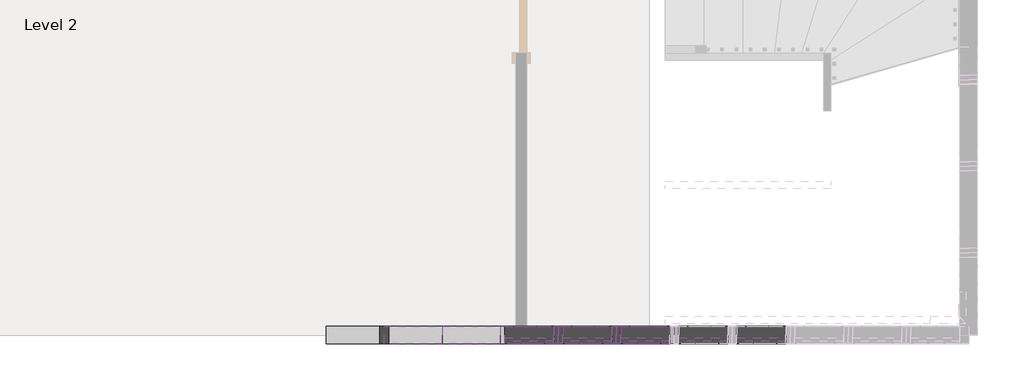
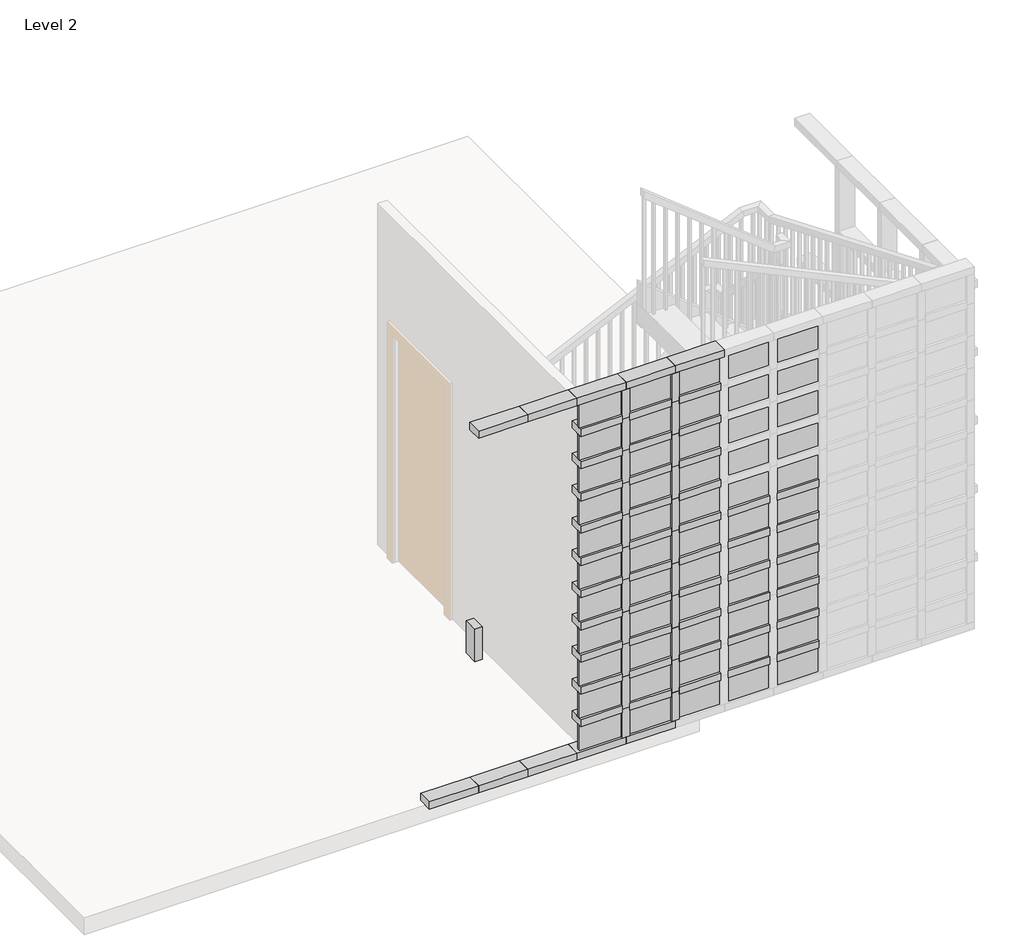
# One storey, part 4 of 7: 75 members, 55 plates.
"""IFC4 building model written with IfcOpenShell, lengths in millimetres."""

import ifcopenshell
import ifcopenshell.guid

model = None  # the IFC model being written
_history = None  # IfcOwnerHistory: only IFC2X3 demands one
_inside = {}  # id of a spatial element -> (the spatial element, [elements in it])
_under = {}  # id of a project, library or spatial element -> (it, [spatial elements below it])
_declared = {}  # id of a project -> (the project, [libraries it declares])
_typed = {}  # id of a type object -> (the type object, [elements of that type])
_made_of = {}  # id of a material, layer set ... -> (it, [elements and type objects made of it])


def new_model(schema):
    """Start an empty IFC model of exactly this schema.

    Asked for "IFC4X3", IfcOpenShell would pick the latest addendum, in which some entities
    have other attributes; the version numbers below select the first issue.
    IFC2X3 requires an IfcOwnerHistory on every rooted entity: one is made here for all.
    """
    global model, _history
    if schema == "IFC4X3":
        model = ifcopenshell.file(schema_version=(4, 3, 0, 0))
    else:
        model = ifcopenshell.file(schema=schema)
    _inside.clear()
    _under.clear()
    _declared.clear()
    _typed.clear()
    _made_of.clear()
    _history = None
    if model.schema == "IFC2X3":
        org = make("IfcOrganization", Name="unknown")
        user = make(
            "IfcPersonAndOrganization",
            ThePerson=make("IfcPerson", FamilyName="unknown"),
            TheOrganization=org,
        )
        app = make(
            "IfcApplication",
            ApplicationDeveloper=org,
            Version="unknown",
            ApplicationFullName="unknown",
            ApplicationIdentifier="unknown",
        )
        _history = make(
            "IfcOwnerHistory",
            OwningUser=user,
            OwningApplication=app,
            ChangeAction="ADDED",
            CreationDate=0,
        )
    return model


def make(cls, **values):
    """One entity of the class cls with the attributes given. An attribute that is None is left unset."""
    return model.create_entity(
        cls, **{name: value for name, value in values.items() if value is not None}
    )


def rooted(cls, **values):
    """An entity with a GlobalId (a new one), such as an element, a storey or a relation."""
    return make(cls, GlobalId=ifcopenshell.guid.new(), OwnerHistory=_history, **values)


def si_unit(unit_type, name, prefix=None):
    """IfcSIUnit, for example si_unit("LENGTHUNIT", "METRE", prefix="MILLI")."""
    return make("IfcSIUnit", UnitType=unit_type, Prefix=prefix, Name=name)


def assignment(units):
    """IfcUnitAssignment: the units of a project."""
    return None if units is None else make("IfcUnitAssignment", Units=units)


def point(xyz):
    """IfcCartesianPoint."""
    return None if xyz is None else make("IfcCartesianPoint", Coordinates=xyz)


def direction(xyz):
    """IfcDirection."""
    return None if xyz is None else make("IfcDirection", DirectionRatios=xyz)


def frame(location, z_axis=None, x_axis=None):
    """IfcAxis2Placement3D, a coordinate frame: its origin and axes. An axis left out is left unset."""
    return make(
        "IfcAxis2Placement3D",
        Location=point(location),
        Axis=direction(z_axis),
        RefDirection=direction(x_axis),
    )


def origin():
    """The frame at (0, 0, 0) with its axes left unset."""
    return frame((0.0, 0.0, 0.0))


def origin_with_axes():
    """The frame at (0, 0, 0) with the z axis (0, 0, 1) and the x axis (1, 0, 0) written out."""
    return frame((0.0, 0.0, 0.0), z_axis=(0.0, 0.0, 1.0), x_axis=(1.0, 0.0, 0.0))


def place(relative_to, where):
    """IfcLocalPlacement: puts the frame where relative to a parent placement (None: the world)."""
    return make(
        "IfcLocalPlacement", PlacementRelTo=relative_to, RelativePlacement=where
    )


def context(
    kind, dimensions, precision=None, world=None, true_north=None, identifier=None
):
    """IfcGeometricRepresentationContext, for example the 3D "Model" context."""
    return make(
        "IfcGeometricRepresentationContext",
        ContextIdentifier=identifier,
        ContextType=kind,
        CoordinateSpaceDimension=dimensions,
        Precision=precision,
        WorldCoordinateSystem=world,
        TrueNorth=true_north,
    )


def project(units=None, contexts=None):
    """IfcProject with its units and contexts."""
    return rooted(
        "IfcProject",
        Name="project",
        RepresentationContexts=contexts,
        UnitsInContext=assignment(units),
    )


def spatial(cls, under=None, at=None, **own):
    """A site, building, storey or space (cls), placed at a placement, below another one or the project."""
    s = rooted(cls, ObjectPlacement=at, **own)
    if under is not None:
        _under.setdefault(under.id(), (under, []))[1].append(s)
    return s


def polyline(points):
    """IfcPolyline through the points."""
    return make("IfcPolyline", Points=[point(p) for p in points])


def outline(outer, holes=None, kind="AREA"):
    """IfcArbitraryClosedProfileDef: a profile drawn as a closed curve; with holes, ...WithVoids."""
    if holes is None:
        return make("IfcArbitraryClosedProfileDef", ProfileType=kind, OuterCurve=outer)
    return make(
        "IfcArbitraryProfileDefWithVoids",
        ProfileType=kind,
        OuterCurve=outer,
        InnerCurves=holes,
    )


def extrude(swept, where, along, depth):
    """IfcExtrudedAreaSolid: the profile swept, set in the frame where, extruded along a direction by depth."""
    return make(
        "IfcExtrudedAreaSolid",
        SweptArea=swept,
        Position=where,
        ExtrudedDirection=direction(along),
        Depth=depth,
    )


def shape(context_of_items, identifier, shape_type, items):
    """IfcShapeRepresentation: the items that make up one representation, for example the "Body"."""
    return make(
        "IfcShapeRepresentation",
        ContextOfItems=context_of_items,
        RepresentationIdentifier=identifier,
        RepresentationType=shape_type,
        Items=items,
    )


def source(mapping_origin, context_of_items, identifier, shape_type, items):
    """IfcRepresentationMap: a shape defined once, which mapped items show again and again."""
    return make(
        "IfcRepresentationMap",
        MappingOrigin=mapping_origin,
        MappedRepresentation=shape(context_of_items, identifier, shape_type, items),
    )


def transform(
    local_origin,
    x_axis=None,
    y_axis=None,
    z_axis=None,
    scale=None,
    scale2=None,
    scale3=None,
    uniform=True,
):
    """IfcCartesianTransformationOperator3D, or its non-uniform kind. x_axis, y_axis, z_axis: its Axis1, 2, 3."""
    if uniform:
        return make(
            "IfcCartesianTransformationOperator3D",
            Axis1=direction(x_axis),
            Axis2=direction(y_axis),
            LocalOrigin=point(local_origin),
            Scale=scale,
            Axis3=direction(z_axis),
        )
    return make(
        "IfcCartesianTransformationOperator3DnonUniform",
        Axis1=direction(x_axis),
        Axis2=direction(y_axis),
        LocalOrigin=point(local_origin),
        Scale=scale,
        Axis3=direction(z_axis),
        Scale2=scale2,
        Scale3=scale3,
    )


def mapped(mapping_source, mapping_target):
    """IfcMappedItem: shows the shape of a source again, moved by a transform."""
    return make(
        "IfcMappedItem", MappingSource=mapping_source, MappingTarget=mapping_target
    )


def made_of(thing, what):
    """Note that an element or type object is made of a material, layer set ...; save() writes the relation."""
    if what is not None:
        _made_of.setdefault(what.id(), (what, []))[1].append(thing)
    return thing


def element(
    cls,
    number,
    at=None,
    inside=None,
    cuts=None,
    type_object=None,
    material=None,
    context=None,
    identifier="Body",
    shape_type=None,
    held_by="IfcProductDefinitionShape",
    body=None,
    shapes=None,
    **own,
):
    """One element of the class cls, such as IfcWall. Its Tag is "e" and its number.

    at: its placement. inside: the storey or other place that contains it. cuts: it is an
    opening in that element (IfcRelVoidsElement). A single representation is given by context,
    identifier, shape_type and body (its items); several are given by shapes. held_by: the class
    of the entity that holds the representations. save() writes the other relations.
    """
    e = rooted(cls, Tag="e%d" % number, ObjectPlacement=at, **own)
    if body is not None:
        shapes = [shape(context, identifier, shape_type, body)]
    if shapes is not None:
        e.Representation = make(held_by, Representations=shapes)
    if inside is not None:
        _inside.setdefault(inside.id(), (inside, []))[1].append(e)
    if cuts is not None:
        rooted(
            "IfcRelVoidsElement", RelatingBuildingElement=cuts, RelatedOpeningElement=e
        )
    if type_object is not None:
        _typed.setdefault(type_object.id(), (type_object, []))[1].append(e)
    return made_of(e, material)


def aggregate(whole, parts):
    """IfcRelAggregates: a whole, such as a stair, and the parts it consists of."""
    return rooted("IfcRelAggregates", RelatingObject=whole, RelatedObjects=parts)


def save(model, path):
    """Write the relations noted so far, then the file.

    IfcRelAggregates (storeys below a building ...), IfcRelContainedInSpatialStructure (elements
    in a storey), IfcRelDefinesByType, IfcRelAssociatesMaterial and IfcRelDeclares: one each for
    every whole, place, type object, material and project.
    """
    for whole, parts in _under.values():
        aggregate(whole, parts)
    for where, things in _inside.values():
        rooted(
            "IfcRelContainedInSpatialStructure",
            RelatedElements=things,
            RelatingStructure=where,
        )
    for kind, things in _typed.values():
        rooted("IfcRelDefinesByType", RelatedObjects=things, RelatingType=kind)
    for what, things in _made_of.values():
        rooted("IfcRelAssociatesMaterial", RelatedObjects=things, RelatingMaterial=what)
    for by, libraries in _declared.values():
        rooted("IfcRelDeclares", RelatingContext=by, RelatedDefinitions=libraries)
    model.write(path)


def member_053a1080(model_context):
    return source(origin(), model_context, "Body", "SweptSolid", [
        extrude(outline(polyline([(31.75, 63.5), (31.75, -63.5), (-31.75, -63.5), (-31.75, 63.5), (31.75, 63.5)])), frame((0.0, 0.0, -351.3666667), z_axis=(0.0, 0.0, 1.0), x_axis=(1.0, 0.0, 0.0)), (0.0, 0.0, 1.0), 351.3666667),
    ])


def member_cc20b924(model_context):
    return source(origin(), model_context, "Body", "SweptSolid", [
        extrude(outline(polyline([(0.0, 63.5), (0.0, -63.5), (-63.5, -63.5), (-63.5, 63.5), (0.0, 63.5)])), frame((0.0, 0.0, -414.8666667), z_axis=(0.0, 0.0, 1.0), x_axis=(1.0, 0.0, 0.0)), (0.0, 0.0, 1.0), 414.8666667),
    ])


def member_fa3b035b(model_context):
    return source(origin(), model_context, "Body", "SweptSolid", [
        extrude(outline(polyline([(31.75, 63.5), (31.75, -63.5), (-31.75, -63.5), (-31.75, 63.5), (31.75, 63.5)])), frame((0.0, 0.0, -287.4301113), z_axis=(0.0, 0.0, 1.0), x_axis=(1.0, 0.0, 0.0)), (0.0, 0.0, 1.0), 287.4301113),
    ])


def member_d2e9ee92(model_context):
    return source(origin(), model_context, "Body", "SweptSolid", [
        extrude(outline(polyline([(31.75, 63.5), (31.75, -63.5), (-31.75, -63.5), (-31.75, 63.5), (31.75, 63.5)])), frame((0.0, 0.0, -255.6801113), z_axis=(0.0, 0.0, 1.0), x_axis=(1.0, 0.0, 0.0)), (0.0, 0.0, 1.0), 255.6801113),
    ])


def system_panel_glazed_a957bdd6(model_context):
    return source(origin(), model_context, "Body", "SweptSolid", [
        extrude(outline(polyline([(175.6833333, 19.05), (-175.6833333, 19.05), (-175.6833333, 44.45), (175.6833333, 44.45), (175.6833333, 19.05)])), origin_with_axes(), (0.0, 0.0, 1.0), 223.9301113),
    ])


model = new_model("IFC4")

# Units and contexts
model_context = context("Model", 3, world=origin())
ifc_project = project(units=[si_unit("LENGTHUNIT", "METRE", prefix="MILLI")], contexts=[model_context])

# Site, building, storey
site = spatial("IfcSite", under=ifc_project)
building = spatial("IfcBuilding", under=site)
storey = spatial("IfcBuildingStorey", under=building, Name="Level 2", Elevation=3048.0)

# Members
placement = place(None, origin())
member_shape = member_053a1080(model_context)
element("IfcMember", 1, ObjectType="Rectangular Mullion : 2.5\" x 5\" rectangular", at=placement, inside=storey, context=model_context, shape_type="MappedRepresentation", body=[
    mapped(member_shape, transform((-1987.2083075, 4076.9545164, 3367.1801113), x_axis=(0.0, 0.0, 1.0), y_axis=(0.0, 1.0, 0.0), z_axis=(-1.0, 0.0, 0.0))),
])
element("IfcMember", 2, ObjectType="Rectangular Mullion : 2.5\" x 5\" rectangular", at=placement, inside=storey, context=model_context, shape_type="MappedRepresentation", body=[
    mapped(member_shape, transform((-1572.3416409, 4076.9545164, 3367.1801113), x_axis=(0.0, 0.0, 1.0), y_axis=(0.0, 1.0, 0.0), z_axis=(-1.0, 0.0, 0.0))),
])
element("IfcMember", 3, ObjectType="Rectangular Mullion : 2.5\" x 5\" rectangular", at=placement, inside=storey, context=model_context, shape_type="MappedRepresentation", body=[
    mapped(member_shape, transform((-1157.4749742, 4076.9545164, 3367.1801113), x_axis=(0.0, 0.0, 1.0), y_axis=(0.0, 1.0, 0.0), z_axis=(-1.0, 0.0, 0.0))),
])
element("IfcMember", 4, ObjectType="Rectangular Mullion : 2.5\" x 5\" rectangular", at=placement, inside=storey, context=model_context, shape_type="MappedRepresentation", body=[
    mapped(member_shape, transform((-742.6083075, 4076.9545164, 3367.1801113), x_axis=(0.0, 0.0, 1.0), y_axis=(0.0, 1.0, 0.0), z_axis=(-1.0, 0.0, 0.0))),
])
element("IfcMember", 5, ObjectType="Rectangular Mullion : 2.5\" x 5\" rectangular", at=placement, inside=storey, context=model_context, shape_type="MappedRepresentation", body=[
    mapped(member_shape, transform((-327.7416409, 4076.9545164, 3367.1801113), x_axis=(0.0, 0.0, 1.0), y_axis=(0.0, 1.0, 0.0), z_axis=(-1.0, 0.0, 0.0))),
])
element("IfcMember", 6, ObjectType="Rectangular Mullion : 2.5\" x 5\" rectangular", at=placement, inside=storey, context=model_context, shape_type="MappedRepresentation", body=[
    mapped(member_shape, transform((-1987.2083075, 4076.9545164, 3654.6102225), x_axis=(0.0, 0.0, 1.0), y_axis=(0.0, 1.0, 0.0), z_axis=(-1.0, 0.0, 0.0))),
])
element("IfcMember", 7, ObjectType="Rectangular Mullion : 2.5\" x 5\" rectangular", at=placement, inside=storey, context=model_context, shape_type="MappedRepresentation", body=[
    mapped(member_shape, transform((-1572.3416409, 4076.9545164, 3654.6102225), x_axis=(0.0, 0.0, 1.0), y_axis=(0.0, 1.0, 0.0), z_axis=(-1.0, 0.0, 0.0))),
])
element("IfcMember", 8, ObjectType="Rectangular Mullion : 2.5\" x 5\" rectangular", at=placement, inside=storey, context=model_context, shape_type="MappedRepresentation", body=[
    mapped(member_shape, transform((-1157.4749742, 4076.9545164, 3654.6102225), x_axis=(0.0, 0.0, 1.0), y_axis=(0.0, 1.0, 0.0), z_axis=(-1.0, 0.0, 0.0))),
])
element("IfcMember", 9, ObjectType="Rectangular Mullion : 2.5\" x 5\" rectangular", at=placement, inside=storey, context=model_context, shape_type="MappedRepresentation", body=[
    mapped(member_shape, transform((-742.6083075, 4076.9545164, 3654.6102225), x_axis=(0.0, 0.0, 1.0), y_axis=(0.0, 1.0, 0.0), z_axis=(-1.0, 0.0, 0.0))),
])
element("IfcMember", 10, ObjectType="Rectangular Mullion : 2.5\" x 5\" rectangular", at=placement, inside=storey, context=model_context, shape_type="MappedRepresentation", body=[
    mapped(member_shape, transform((-327.7416409, 4076.9545164, 3654.6102225), x_axis=(0.0, 0.0, 1.0), y_axis=(0.0, 1.0, 0.0), z_axis=(-1.0, 0.0, 0.0))),
])
element("IfcMember", 11, ObjectType="Rectangular Mullion : 2.5\" x 5\" rectangular", at=placement, inside=storey, context=model_context, shape_type="MappedRepresentation", body=[
    mapped(member_shape, transform((-1987.2083075, 4076.9545164, 3942.0403338), x_axis=(0.0, 0.0, 1.0), y_axis=(0.0, 1.0, 0.0), z_axis=(-1.0, 0.0, 0.0))),
])
element("IfcMember", 12, ObjectType="Rectangular Mullion : 2.5\" x 5\" rectangular", at=placement, inside=storey, context=model_context, shape_type="MappedRepresentation", body=[
    mapped(member_shape, transform((-1572.3416409, 4076.9545164, 3942.0403338), x_axis=(0.0, 0.0, 1.0), y_axis=(0.0, 1.0, 0.0), z_axis=(-1.0, 0.0, 0.0))),
])
element("IfcMember", 13, ObjectType="Rectangular Mullion : 2.5\" x 5\" rectangular", at=placement, inside=storey, context=model_context, shape_type="MappedRepresentation", body=[
    mapped(member_shape, transform((-1157.4749742, 4076.9545164, 3942.0403338), x_axis=(0.0, 0.0, 1.0), y_axis=(0.0, 1.0, 0.0), z_axis=(-1.0, 0.0, 0.0))),
])
element("IfcMember", 14, ObjectType="Rectangular Mullion : 2.5\" x 5\" rectangular", at=placement, inside=storey, context=model_context, shape_type="MappedRepresentation", body=[
    mapped(member_shape, transform((-742.6083075, 4076.9545164, 3942.0403338), x_axis=(0.0, 0.0, 1.0), y_axis=(0.0, 1.0, 0.0), z_axis=(-1.0, 0.0, 0.0))),
])
element("IfcMember", 15, ObjectType="Rectangular Mullion : 2.5\" x 5\" rectangular", at=placement, inside=storey, context=model_context, shape_type="MappedRepresentation", body=[
    mapped(member_shape, transform((-327.7416409, 4076.9545164, 3942.0403338), x_axis=(0.0, 0.0, 1.0), y_axis=(0.0, 1.0, 0.0), z_axis=(-1.0, 0.0, 0.0))),
])
element("IfcMember", 16, ObjectType="Rectangular Mullion : 2.5\" x 5\" rectangular", at=placement, inside=storey, context=model_context, shape_type="MappedRepresentation", body=[
    mapped(member_shape, transform((-1987.2083075, 4076.9545164, 4229.4704451), x_axis=(0.0, 0.0, 1.0), y_axis=(0.0, 1.0, 0.0), z_axis=(-1.0, 0.0, 0.0))),
])
element("IfcMember", 17, ObjectType="Rectangular Mullion : 2.5\" x 5\" rectangular", at=placement, inside=storey, context=model_context, shape_type="MappedRepresentation", body=[
    mapped(member_shape, transform((-1572.3416409, 4076.9545164, 4229.4704451), x_axis=(0.0, 0.0, 1.0), y_axis=(0.0, 1.0, 0.0), z_axis=(-1.0, 0.0, 0.0))),
])
element("IfcMember", 18, ObjectType="Rectangular Mullion : 2.5\" x 5\" rectangular", at=placement, inside=storey, context=model_context, shape_type="MappedRepresentation", body=[
    mapped(member_shape, transform((-1157.4749742, 4076.9545164, 4229.4704451), x_axis=(0.0, 0.0, 1.0), y_axis=(0.0, 1.0, 0.0), z_axis=(-1.0, 0.0, 0.0))),
])
element("IfcMember", 19, ObjectType="Rectangular Mullion : 2.5\" x 5\" rectangular", at=placement, inside=storey, context=model_context, shape_type="MappedRepresentation", body=[
    mapped(member_shape, transform((-742.6083075, 4076.9545164, 4229.4704451), x_axis=(0.0, 0.0, 1.0), y_axis=(0.0, 1.0, 0.0), z_axis=(-1.0, 0.0, 0.0))),
])
element("IfcMember", 20, ObjectType="Rectangular Mullion : 2.5\" x 5\" rectangular", at=placement, inside=storey, context=model_context, shape_type="MappedRepresentation", body=[
    mapped(member_shape, transform((-327.7416409, 4076.9545164, 4229.4704451), x_axis=(0.0, 0.0, 1.0), y_axis=(0.0, 1.0, 0.0), z_axis=(-1.0, 0.0, 0.0))),
])
element("IfcMember", 21, ObjectType="Rectangular Mullion : 2.5\" x 5\" rectangular", at=placement, inside=storey, context=model_context, shape_type="MappedRepresentation", body=[
    mapped(member_shape, transform((-742.6083075, 4076.9545164, 4516.9005563), x_axis=(0.0, 0.0, 1.0), y_axis=(0.0, 1.0, 0.0), z_axis=(-1.0, 0.0, 0.0))),
])
element("IfcMember", 22, ObjectType="Rectangular Mullion : 2.5\" x 5\" rectangular", at=placement, inside=storey, context=model_context, shape_type="MappedRepresentation", body=[
    mapped(member_shape, transform((-327.7416409, 4076.9545164, 4516.9005563), x_axis=(0.0, 0.0, 1.0), y_axis=(0.0, 1.0, 0.0), z_axis=(-1.0, 0.0, 0.0))),
])
element("IfcMember", 23, ObjectType="Rectangular Mullion : 2.5\" x 5\" rectangular", at=placement, inside=storey, context=model_context, shape_type="MappedRepresentation", body=[
    mapped(member_shape, transform((-1987.2083075, 4076.9545164, 4516.9005563), x_axis=(0.0, 0.0, 1.0), y_axis=(0.0, 1.0, 0.0), z_axis=(-1.0, 0.0, 0.0))),
])
element("IfcMember", 24, ObjectType="Rectangular Mullion : 2.5\" x 5\" rectangular", at=placement, inside=storey, context=model_context, shape_type="MappedRepresentation", body=[
    mapped(member_shape, transform((-1572.3416409, 4076.9545164, 4516.9005563), x_axis=(0.0, 0.0, 1.0), y_axis=(0.0, 1.0, 0.0), z_axis=(-1.0, 0.0, 0.0))),
])
element("IfcMember", 25, ObjectType="Rectangular Mullion : 2.5\" x 5\" rectangular", at=placement, inside=storey, context=model_context, shape_type="MappedRepresentation", body=[
    mapped(member_shape, transform((-1157.4749742, 4076.9545164, 4516.9005563), x_axis=(0.0, 0.0, 1.0), y_axis=(0.0, 1.0, 0.0), z_axis=(-1.0, 0.0, 0.0))),
])
element("IfcMember", 26, ObjectType="Rectangular Mullion : 2.5\" x 5\" rectangular", at=placement, inside=storey, context=model_context, shape_type="MappedRepresentation", body=[
    mapped(member_shape, transform((-1987.2083075, 4076.9545164, 4804.3306676), x_axis=(0.0, 0.0, 1.0), y_axis=(0.0, 1.0, 0.0), z_axis=(-1.0, 0.0, 0.0))),
])
element("IfcMember", 27, ObjectType="Rectangular Mullion : 2.5\" x 5\" rectangular", at=placement, inside=storey, context=model_context, shape_type="MappedRepresentation", body=[
    mapped(member_shape, transform((-1572.3416409, 4076.9545164, 4804.3306676), x_axis=(0.0, 0.0, 1.0), y_axis=(0.0, 1.0, 0.0), z_axis=(-1.0, 0.0, 0.0))),
])
element("IfcMember", 28, ObjectType="Rectangular Mullion : 2.5\" x 5\" rectangular", at=placement, inside=storey, context=model_context, shape_type="MappedRepresentation", body=[
    mapped(member_shape, transform((-1157.4749742, 4076.9545164, 4804.3306676), x_axis=(0.0, 0.0, 1.0), y_axis=(0.0, 1.0, 0.0), z_axis=(-1.0, 0.0, 0.0))),
])
element("IfcMember", 29, ObjectType="Rectangular Mullion : 2.5\" x 5\" rectangular", at=placement, inside=storey, context=model_context, shape_type="MappedRepresentation", body=[
    mapped(member_shape, transform((-742.6083075, 4076.9545164, 4804.3306676), x_axis=(0.0, 0.0, 1.0), y_axis=(0.0, 1.0, 0.0), z_axis=(-1.0, 0.0, 0.0))),
])
element("IfcMember", 30, ObjectType="Rectangular Mullion : 2.5\" x 5\" rectangular", at=placement, inside=storey, context=model_context, shape_type="MappedRepresentation", body=[
    mapped(member_shape, transform((-327.7416409, 4076.9545164, 4804.3306676), x_axis=(0.0, 0.0, 1.0), y_axis=(0.0, 1.0, 0.0), z_axis=(-1.0, 0.0, 0.0))),
])
element("IfcMember", 31, ObjectType="Rectangular Mullion : 2.5\" x 5\" rectangular", at=placement, inside=storey, context=model_context, shape_type="MappedRepresentation", body=[
    mapped(member_shape, transform((-1987.2083075, 4076.9545164, 5091.7607789), x_axis=(0.0, 0.0, 1.0), y_axis=(0.0, 1.0, 0.0), z_axis=(-1.0, 0.0, 0.0))),
])
element("IfcMember", 32, ObjectType="Rectangular Mullion : 2.5\" x 5\" rectangular", at=placement, inside=storey, context=model_context, shape_type="MappedRepresentation", body=[
    mapped(member_shape, transform((-1572.3416409, 4076.9545164, 5091.7607789), x_axis=(0.0, 0.0, 1.0), y_axis=(0.0, 1.0, 0.0), z_axis=(-1.0, 0.0, 0.0))),
])
element("IfcMember", 33, ObjectType="Rectangular Mullion : 2.5\" x 5\" rectangular", at=placement, inside=storey, context=model_context, shape_type="MappedRepresentation", body=[
    mapped(member_shape, transform((-1157.4749742, 4076.9545164, 5091.7607789), x_axis=(0.0, 0.0, 1.0), y_axis=(0.0, 1.0, 0.0), z_axis=(-1.0, 0.0, 0.0))),
])
element("IfcMember", 34, ObjectType="Rectangular Mullion : 2.5\" x 5\" rectangular", at=placement, inside=storey, context=model_context, shape_type="MappedRepresentation", body=[
    mapped(member_shape, transform((-1987.2083075, 4076.9545164, 5379.1908901), x_axis=(0.0, 0.0, 1.0), y_axis=(0.0, 1.0, 0.0), z_axis=(-1.0, 0.0, 0.0))),
])
element("IfcMember", 35, ObjectType="Rectangular Mullion : 2.5\" x 5\" rectangular", at=placement, inside=storey, context=model_context, shape_type="MappedRepresentation", body=[
    mapped(member_shape, transform((-1572.3416409, 4076.9545164, 5379.1908901), x_axis=(0.0, 0.0, 1.0), y_axis=(0.0, 1.0, 0.0), z_axis=(-1.0, 0.0, 0.0))),
])
element("IfcMember", 36, ObjectType="Rectangular Mullion : 2.5\" x 5\" rectangular", at=placement, inside=storey, context=model_context, shape_type="MappedRepresentation", body=[
    mapped(member_shape, transform((-1157.4749742, 4076.9545164, 5379.1908901), x_axis=(0.0, 0.0, 1.0), y_axis=(0.0, 1.0, 0.0), z_axis=(-1.0, 0.0, 0.0))),
])
element("IfcMember", 37, ObjectType="Rectangular Mullion : 2.5\" x 5\" rectangular", at=placement, inside=storey, context=model_context, shape_type="MappedRepresentation", body=[
    mapped(member_shape, transform((-1987.2083075, 4076.9545164, 5666.6210014), x_axis=(0.0, 0.0, 1.0), y_axis=(0.0, 1.0, 0.0), z_axis=(-1.0, 0.0, 0.0))),
])
element("IfcMember", 38, ObjectType="Rectangular Mullion : 2.5\" x 5\" rectangular", at=placement, inside=storey, context=model_context, shape_type="MappedRepresentation", body=[
    mapped(member_shape, transform((-1572.3416409, 4076.9545164, 5666.6210014), x_axis=(0.0, 0.0, 1.0), y_axis=(0.0, 1.0, 0.0), z_axis=(-1.0, 0.0, 0.0))),
])
element("IfcMember", 39, ObjectType="Rectangular Mullion : 2.5\" x 5\" rectangular", at=placement, inside=storey, context=model_context, shape_type="MappedRepresentation", body=[
    mapped(member_shape, transform((-1157.4749742, 4076.9545164, 5666.6210014), x_axis=(0.0, 0.0, 1.0), y_axis=(0.0, 1.0, 0.0), z_axis=(-1.0, 0.0, 0.0))),
])
element("IfcMember", 40, ObjectType="Rectangular Mullion : 2.5\" x 5\" rectangular", at=placement, inside=storey, context=model_context, shape_type="MappedRepresentation", body=[
    mapped(member_shape, transform((-1987.2083075, 4076.9545164, 5954.0511127), x_axis=(0.0, 0.0, 1.0), y_axis=(0.0, 1.0, 0.0), z_axis=(-1.0, 0.0, 0.0))),
])
element("IfcMember", 41, ObjectType="Rectangular Mullion : 2.5\" x 5\" rectangular", at=placement, inside=storey, context=model_context, shape_type="MappedRepresentation", body=[
    mapped(member_shape, transform((-1572.3416409, 4076.9545164, 5954.0511127), x_axis=(0.0, 0.0, 1.0), y_axis=(0.0, 1.0, 0.0), z_axis=(-1.0, 0.0, 0.0))),
])
element("IfcMember", 42, ObjectType="Rectangular Mullion : 2.5\" x 5\" rectangular", at=placement, inside=storey, context=model_context, shape_type="MappedRepresentation", body=[
    mapped(member_shape, transform((-1157.4749742, 4076.9545164, 5954.0511127), x_axis=(0.0, 0.0, 1.0), y_axis=(0.0, 1.0, 0.0), z_axis=(-1.0, 0.0, 0.0))),
])
member_2_shape = member_cc20b924(model_context)
element("IfcMember", 43, ObjectType="Rectangular Mullion : 2.5\" x 5\" rectangular", at=placement, inside=storey, context=model_context, shape_type="MappedRepresentation", body=[
    mapped(member_2_shape, transform((-2848.6916409, 4076.9545164, 3048.0), x_axis=(0.0, 0.0, -1.0), y_axis=(0.0, 1.0, 0.0), z_axis=(1.0, 0.0, 0.0))),
])
element("IfcMember", 44, ObjectType="Rectangular Mullion : 2.5\" x 5\" rectangular", at=placement, inside=storey, context=model_context, shape_type="MappedRepresentation", body=[
    mapped(member_2_shape, transform((-2433.8249742, 4076.9545164, 3048.0), x_axis=(0.0, 0.0, -1.0), y_axis=(0.0, 1.0, 0.0), z_axis=(1.0, 0.0, 0.0))),
])
element("IfcMember", 45, ObjectType="Rectangular Mullion : 2.5\" x 5\" rectangular", at=placement, inside=storey, context=model_context, shape_type="MappedRepresentation", body=[
    mapped(member_2_shape, transform((-2018.9583075, 4076.9545164, 3048.0), x_axis=(0.0, 0.0, -1.0), y_axis=(0.0, 1.0, 0.0), z_axis=(1.0, 0.0, 0.0))),
])
element("IfcMember", 46, ObjectType="Rectangular Mullion : 2.5\" x 5\" rectangular", at=placement, inside=storey, context=model_context, shape_type="MappedRepresentation", body=[
    mapped(member_2_shape, transform((-1604.0916409, 4076.9545164, 3048.0), x_axis=(0.0, 0.0, -1.0), y_axis=(0.0, 1.0, 0.0), z_axis=(1.0, 0.0, 0.0))),
])
element("IfcMember", 47, ObjectType="Rectangular Mullion : 2.5\" x 5\" rectangular", at=placement, inside=storey, context=model_context, shape_type="MappedRepresentation", body=[
    mapped(member_2_shape, transform((-1189.2249742, 4076.9545164, 3048.0), x_axis=(0.0, 0.0, -1.0), y_axis=(0.0, 1.0, 0.0), z_axis=(1.0, 0.0, 0.0))),
])
member_3_shape = member_fa3b035b(model_context)
element("IfcMember", 48, ObjectType="Rectangular Mullion : 2.5\" x 5\" rectangular", at=placement, inside=storey, context=model_context, shape_type="MappedRepresentation", body=[
    mapped(member_3_shape, transform((-1189.2249742, 4076.9545164, 5666.6210014), x_axis=(-1.0, 0.0, 0.0), y_axis=(0.0, 1.0, 0.0), z_axis=(0.0, 0.0, -1.0))),
])
element("IfcMember", 49, ObjectType="Rectangular Mullion : 2.5\" x 5\" rectangular", at=placement, inside=storey, context=model_context, shape_type="MappedRepresentation", body=[
    mapped(member_3_shape, transform((-1189.2249742, 4076.9545164, 5379.1908901), x_axis=(-1.0, 0.0, 0.0), y_axis=(0.0, 1.0, 0.0), z_axis=(0.0, 0.0, -1.0))),
])
element("IfcMember", 50, ObjectType="Rectangular Mullion : 2.5\" x 5\" rectangular", at=placement, inside=storey, context=model_context, shape_type="MappedRepresentation", body=[
    mapped(member_3_shape, transform((-1189.2249742, 4076.9545164, 5091.7607789), x_axis=(-1.0, 0.0, 0.0), y_axis=(0.0, 1.0, 0.0), z_axis=(0.0, 0.0, -1.0))),
])
element("IfcMember", 51, ObjectType="Rectangular Mullion : 2.5\" x 5\" rectangular", at=placement, inside=storey, context=model_context, shape_type="MappedRepresentation", body=[
    mapped(member_3_shape, transform((-1189.2249742, 4076.9545164, 4804.3306676), x_axis=(-1.0, 0.0, 0.0), y_axis=(0.0, 1.0, 0.0), z_axis=(0.0, 0.0, -1.0))),
])
element("IfcMember", 52, ObjectType="Rectangular Mullion : 2.5\" x 5\" rectangular", at=placement, inside=storey, context=model_context, shape_type="MappedRepresentation", body=[
    mapped(member_3_shape, transform((-1189.2249742, 4076.9545164, 4516.9005563), x_axis=(-1.0, 0.0, 0.0), y_axis=(0.0, 1.0, 0.0), z_axis=(0.0, 0.0, -1.0))),
])
element("IfcMember", 53, ObjectType="Rectangular Mullion : 2.5\" x 5\" rectangular", at=placement, inside=storey, context=model_context, shape_type="MappedRepresentation", body=[
    mapped(member_3_shape, transform((-1189.2249742, 4076.9545164, 4229.4704451), x_axis=(-1.0, 0.0, 0.0), y_axis=(0.0, 1.0, 0.0), z_axis=(0.0, 0.0, -1.0))),
])
element("IfcMember", 54, ObjectType="Rectangular Mullion : 2.5\" x 5\" rectangular", at=placement, inside=storey, context=model_context, shape_type="MappedRepresentation", body=[
    mapped(member_3_shape, transform((-1189.2249742, 4076.9545164, 3942.0403338), x_axis=(-1.0, 0.0, 0.0), y_axis=(0.0, 1.0, 0.0), z_axis=(0.0, 0.0, -1.0))),
])
element("IfcMember", 55, ObjectType="Rectangular Mullion : 2.5\" x 5\" rectangular", at=placement, inside=storey, context=model_context, shape_type="MappedRepresentation", body=[
    mapped(member_3_shape, transform((-1189.2249742, 4076.9545164, 3654.6102225), x_axis=(-1.0, 0.0, 0.0), y_axis=(0.0, 1.0, 0.0), z_axis=(0.0, 0.0, -1.0))),
])
element("IfcMember", 56, ObjectType="Rectangular Mullion : 2.5\" x 5\" rectangular", at=placement, inside=storey, context=model_context, shape_type="MappedRepresentation", body=[
    mapped(member_3_shape, transform((-1189.2249742, 4076.9545164, 3367.1801113), x_axis=(-1.0, 0.0, 0.0), y_axis=(0.0, 1.0, 0.0), z_axis=(0.0, 0.0, -1.0))),
])
element("IfcMember", 57, ObjectType="Rectangular Mullion : 2.5\" x 5\" rectangular", at=placement, inside=storey, context=model_context, shape_type="MappedRepresentation", body=[
    mapped(member_3_shape, transform((-1604.0916409, 4076.9545164, 5666.6210014), x_axis=(-1.0, 0.0, 0.0), y_axis=(0.0, 1.0, 0.0), z_axis=(0.0, 0.0, -1.0))),
])
element("IfcMember", 58, ObjectType="Rectangular Mullion : 2.5\" x 5\" rectangular", at=placement, inside=storey, context=model_context, shape_type="MappedRepresentation", body=[
    mapped(member_3_shape, transform((-1604.0916409, 4076.9545164, 5379.1908901), x_axis=(-1.0, 0.0, 0.0), y_axis=(0.0, 1.0, 0.0), z_axis=(0.0, 0.0, -1.0))),
])
element("IfcMember", 59, ObjectType="Rectangular Mullion : 2.5\" x 5\" rectangular", at=placement, inside=storey, context=model_context, shape_type="MappedRepresentation", body=[
    mapped(member_3_shape, transform((-1604.0916409, 4076.9545164, 5091.7607789), x_axis=(-1.0, 0.0, 0.0), y_axis=(0.0, 1.0, 0.0), z_axis=(0.0, 0.0, -1.0))),
])
element("IfcMember", 60, ObjectType="Rectangular Mullion : 2.5\" x 5\" rectangular", at=placement, inside=storey, context=model_context, shape_type="MappedRepresentation", body=[
    mapped(member_3_shape, transform((-1604.0916409, 4076.9545164, 4804.3306676), x_axis=(-1.0, 0.0, 0.0), y_axis=(0.0, 1.0, 0.0), z_axis=(0.0, 0.0, -1.0))),
])
element("IfcMember", 61, ObjectType="Rectangular Mullion : 2.5\" x 5\" rectangular", at=placement, inside=storey, context=model_context, shape_type="MappedRepresentation", body=[
    mapped(member_3_shape, transform((-1604.0916409, 4076.9545164, 4516.9005563), x_axis=(-1.0, 0.0, 0.0), y_axis=(0.0, 1.0, 0.0), z_axis=(0.0, 0.0, -1.0))),
])
element("IfcMember", 62, ObjectType="Rectangular Mullion : 2.5\" x 5\" rectangular", at=placement, inside=storey, context=model_context, shape_type="MappedRepresentation", body=[
    mapped(member_3_shape, transform((-1604.0916409, 4076.9545164, 4229.4704451), x_axis=(-1.0, 0.0, 0.0), y_axis=(0.0, 1.0, 0.0), z_axis=(0.0, 0.0, -1.0))),
])
element("IfcMember", 63, ObjectType="Rectangular Mullion : 2.5\" x 5\" rectangular", at=placement, inside=storey, context=model_context, shape_type="MappedRepresentation", body=[
    mapped(member_3_shape, transform((-1604.0916409, 4076.9545164, 3942.0403338), x_axis=(-1.0, 0.0, 0.0), y_axis=(0.0, 1.0, 0.0), z_axis=(0.0, 0.0, -1.0))),
])
element("IfcMember", 64, ObjectType="Rectangular Mullion : 2.5\" x 5\" rectangular", at=placement, inside=storey, context=model_context, shape_type="MappedRepresentation", body=[
    mapped(member_3_shape, transform((-1604.0916409, 4076.9545164, 3654.6102225), x_axis=(-1.0, 0.0, 0.0), y_axis=(0.0, 1.0, 0.0), z_axis=(0.0, 0.0, -1.0))),
])
element("IfcMember", 65, ObjectType="Rectangular Mullion : 2.5\" x 5\" rectangular", at=placement, inside=storey, context=model_context, shape_type="MappedRepresentation", body=[
    mapped(member_3_shape, transform((-1604.0916409, 4076.9545164, 3367.1801113), x_axis=(-1.0, 0.0, 0.0), y_axis=(0.0, 1.0, 0.0), z_axis=(0.0, 0.0, -1.0))),
])
element("IfcMember", 66, ObjectType="Rectangular Mullion : 2.5\" x 5\" rectangular", at=placement, inside=storey, context=model_context, shape_type="MappedRepresentation", body=[
    mapped(member_3_shape, transform((-2848.6916409, 4076.9545164, 4229.4704451), x_axis=(-1.0, 0.0, 0.0), y_axis=(0.0, 1.0, 0.0), z_axis=(0.0, 0.0, -1.0))),
])
member_4_shape = member_d2e9ee92(model_context)
element("IfcMember", 67, ObjectType="Rectangular Mullion : 2.5\" x 5\" rectangular", at=placement, inside=storey, context=model_context, shape_type="MappedRepresentation", body=[
    mapped(member_4_shape, transform((-1189.2249742, 4076.9545164, 5954.0511127), x_axis=(-1.0, 0.0, 0.0), y_axis=(0.0, 1.0, 0.0), z_axis=(0.0, 0.0, -1.0))),
])
element("IfcMember", 68, ObjectType="Rectangular Mullion : 2.5\" x 5\" rectangular", at=placement, inside=storey, context=model_context, shape_type="MappedRepresentation", body=[
    mapped(member_4_shape, transform((-1604.0916409, 4076.9545164, 5954.0511127), x_axis=(-1.0, 0.0, 0.0), y_axis=(0.0, 1.0, 0.0), z_axis=(0.0, 0.0, -1.0))),
])
element("IfcMember", 69, ObjectType="Rectangular Mullion : 2.5\" x 5\" rectangular", at=placement, inside=storey, context=model_context, shape_type="MappedRepresentation", body=[
    mapped(member_4_shape, transform((-1189.2249742, 4076.9545164, 3111.5), x_axis=(-1.0, 0.0, 0.0), y_axis=(0.0, 1.0, 0.0), z_axis=(0.0, 0.0, -1.0))),
])
element("IfcMember", 70, ObjectType="Rectangular Mullion : 2.5\" x 5\" rectangular", at=placement, inside=storey, context=model_context, shape_type="MappedRepresentation", body=[
    mapped(member_4_shape, transform((-1604.0916409, 4076.9545164, 3111.5), x_axis=(-1.0, 0.0, 0.0), y_axis=(0.0, 1.0, 0.0), z_axis=(0.0, 0.0, -1.0))),
])
element("IfcMember", 71, ObjectType="Rectangular Mullion : 2.5\" x 5\" rectangular", at=placement, inside=storey, context=model_context, shape_type="MappedRepresentation", body=[
    mapped(member_2_shape, transform((-2848.6916409, 4076.9545164, 6273.2312239), x_axis=(0.0, 0.0, 1.0), y_axis=(0.0, 1.0, 0.0), z_axis=(-1.0, 0.0, 0.0))),
])
element("IfcMember", 72, ObjectType="Rectangular Mullion : 2.5\" x 5\" rectangular", at=placement, inside=storey, context=model_context, shape_type="MappedRepresentation", body=[
    mapped(member_2_shape, transform((-2433.8249742, 4076.9545164, 6273.2312239), x_axis=(0.0, 0.0, 1.0), y_axis=(0.0, 1.0, 0.0), z_axis=(-1.0, 0.0, 0.0))),
])
element("IfcMember", 73, ObjectType="Rectangular Mullion : 2.5\" x 5\" rectangular", at=placement, inside=storey, context=model_context, shape_type="MappedRepresentation", body=[
    mapped(member_2_shape, transform((-2018.9583075, 4076.9545164, 6273.2312239), x_axis=(0.0, 0.0, 1.0), y_axis=(0.0, 1.0, 0.0), z_axis=(-1.0, 0.0, 0.0))),
])
element("IfcMember", 74, ObjectType="Rectangular Mullion : 2.5\" x 5\" rectangular", at=placement, inside=storey, context=model_context, shape_type="MappedRepresentation", body=[
    mapped(member_2_shape, transform((-1604.0916409, 4076.9545164, 6273.2312239), x_axis=(0.0, 0.0, 1.0), y_axis=(0.0, 1.0, 0.0), z_axis=(-1.0, 0.0, 0.0))),
])
element("IfcMember", 75, ObjectType="Rectangular Mullion : 2.5\" x 5\" rectangular", at=placement, inside=storey, context=model_context, shape_type="MappedRepresentation", body=[
    mapped(member_2_shape, transform((-1189.2249742, 4076.9545164, 6273.2312239), x_axis=(0.0, 0.0, 1.0), y_axis=(0.0, 1.0, 0.0), z_axis=(-1.0, 0.0, 0.0))),
])

# Plates
system_panel_glazed_shape = system_panel_glazed_a957bdd6(model_context)
element("IfcPlate", 76, ObjectType="System Panel : Glazed", at=placement, inside=storey, context=model_context, shape_type="MappedRepresentation", body=[
    mapped(system_panel_glazed_shape, transform((-152.0583075, 4076.9545164, 3111.5), x_axis=(-1.0, 0.0, 0.0), y_axis=(0.0, -1.0, 0.0), z_axis=(0.0, 0.0, 1.0))),
])
element("IfcPlate", 77, ObjectType="System Panel : Glazed", at=placement, inside=storey, context=model_context, shape_type="MappedRepresentation", body=[
    mapped(system_panel_glazed_shape, transform((-566.9249742, 4076.9545164, 3111.5), x_axis=(-1.0, 0.0, 0.0), y_axis=(0.0, -1.0, 0.0), z_axis=(0.0, 0.0, 1.0))),
])
element("IfcPlate", 78, ObjectType="System Panel : Glazed", at=placement, inside=storey, context=model_context, shape_type="MappedRepresentation", body=[
    mapped(system_panel_glazed_shape, transform((-152.0583075, 4076.9545164, 3398.9301113), x_axis=(-1.0, 0.0, 0.0), y_axis=(0.0, -1.0, 0.0), z_axis=(0.0, 0.0, 1.0))),
])
element("IfcPlate", 79, ObjectType="System Panel : Glazed", at=placement, inside=storey, context=model_context, shape_type="MappedRepresentation", body=[
    mapped(system_panel_glazed_shape, transform((-566.9249742, 4076.9545164, 3398.9301113), x_axis=(-1.0, 0.0, 0.0), y_axis=(0.0, -1.0, 0.0), z_axis=(0.0, 0.0, 1.0))),
])
element("IfcPlate", 80, ObjectType="System Panel : Glazed", at=placement, inside=storey, context=model_context, shape_type="MappedRepresentation", body=[
    mapped(system_panel_glazed_shape, transform((-152.0583075, 4076.9545164, 3686.3602225), x_axis=(-1.0, 0.0, 0.0), y_axis=(0.0, -1.0, 0.0), z_axis=(0.0, 0.0, 1.0))),
])
element("IfcPlate", 81, ObjectType="System Panel : Glazed", at=placement, inside=storey, context=model_context, shape_type="MappedRepresentation", body=[
    mapped(system_panel_glazed_shape, transform((-566.9249742, 4076.9545164, 3686.3602225), x_axis=(-1.0, 0.0, 0.0), y_axis=(0.0, -1.0, 0.0), z_axis=(0.0, 0.0, 1.0))),
])
element("IfcPlate", 82, ObjectType="System Panel : Glazed", at=placement, inside=storey, context=model_context, shape_type="MappedRepresentation", body=[
    mapped(system_panel_glazed_shape, transform((-152.0583075, 4076.9545164, 3973.7903338), x_axis=(-1.0, 0.0, 0.0), y_axis=(0.0, -1.0, 0.0), z_axis=(0.0, 0.0, 1.0))),
])
element("IfcPlate", 83, ObjectType="System Panel : Glazed", at=placement, inside=storey, context=model_context, shape_type="MappedRepresentation", body=[
    mapped(system_panel_glazed_shape, transform((-566.9249742, 4076.9545164, 3973.7903338), x_axis=(-1.0, 0.0, 0.0), y_axis=(0.0, -1.0, 0.0), z_axis=(0.0, 0.0, 1.0))),
])
element("IfcPlate", 84, ObjectType="System Panel : Glazed", at=placement, inside=storey, context=model_context, shape_type="MappedRepresentation", body=[
    mapped(system_panel_glazed_shape, transform((-152.0583075, 4076.9545164, 4261.2204451), x_axis=(-1.0, 0.0, 0.0), y_axis=(0.0, -1.0, 0.0), z_axis=(0.0, 0.0, 1.0))),
])
element("IfcPlate", 85, ObjectType="System Panel : Glazed", at=placement, inside=storey, context=model_context, shape_type="MappedRepresentation", body=[
    mapped(system_panel_glazed_shape, transform((-566.9249742, 4076.9545164, 4261.2204451), x_axis=(-1.0, 0.0, 0.0), y_axis=(0.0, -1.0, 0.0), z_axis=(0.0, 0.0, 1.0))),
])
element("IfcPlate", 86, ObjectType="System Panel : Glazed", at=placement, inside=storey, context=model_context, shape_type="MappedRepresentation", body=[
    mapped(system_panel_glazed_shape, transform((-981.7916409, 4076.9545164, 3111.5), x_axis=(-1.0, 0.0, 0.0), y_axis=(0.0, -1.0, 0.0), z_axis=(0.0, 0.0, 1.0))),
])
element("IfcPlate", 87, ObjectType="System Panel : Glazed", at=placement, inside=storey, context=model_context, shape_type="MappedRepresentation", body=[
    mapped(system_panel_glazed_shape, transform((-981.7916409, 4076.9545164, 3398.9301113), x_axis=(-1.0, 0.0, 0.0), y_axis=(0.0, -1.0, 0.0), z_axis=(0.0, 0.0, 1.0))),
])
element("IfcPlate", 88, ObjectType="System Panel : Glazed", at=placement, inside=storey, context=model_context, shape_type="MappedRepresentation", body=[
    mapped(system_panel_glazed_shape, transform((-981.7916409, 4076.9545164, 3686.3602225), x_axis=(-1.0, 0.0, 0.0), y_axis=(0.0, -1.0, 0.0), z_axis=(0.0, 0.0, 1.0))),
])
element("IfcPlate", 89, ObjectType="System Panel : Glazed", at=placement, inside=storey, context=model_context, shape_type="MappedRepresentation", body=[
    mapped(system_panel_glazed_shape, transform((-981.7916409, 4076.9545164, 3973.7903338), x_axis=(-1.0, 0.0, 0.0), y_axis=(0.0, -1.0, 0.0), z_axis=(0.0, 0.0, 1.0))),
])
element("IfcPlate", 90, ObjectType="System Panel : Glazed", at=placement, inside=storey, context=model_context, shape_type="MappedRepresentation", body=[
    mapped(system_panel_glazed_shape, transform((-981.7916409, 4076.9545164, 4261.2204451), x_axis=(-1.0, 0.0, 0.0), y_axis=(0.0, -1.0, 0.0), z_axis=(0.0, 0.0, 1.0))),
])
element("IfcPlate", 91, ObjectType="System Panel : Glazed", at=placement, inside=storey, context=model_context, shape_type="MappedRepresentation", body=[
    mapped(system_panel_glazed_shape, transform((-1396.6583075, 4076.9545164, 3111.5), x_axis=(-1.0, 0.0, 0.0), y_axis=(0.0, -1.0, 0.0), z_axis=(0.0, 0.0, 1.0))),
])
element("IfcPlate", 92, ObjectType="System Panel : Glazed", at=placement, inside=storey, context=model_context, shape_type="MappedRepresentation", body=[
    mapped(system_panel_glazed_shape, transform((-1396.6583075, 4076.9545164, 3398.9301113), x_axis=(-1.0, 0.0, 0.0), y_axis=(0.0, -1.0, 0.0), z_axis=(0.0, 0.0, 1.0))),
])
element("IfcPlate", 93, ObjectType="System Panel : Glazed", at=placement, inside=storey, context=model_context, shape_type="MappedRepresentation", body=[
    mapped(system_panel_glazed_shape, transform((-1396.6583075, 4076.9545164, 3686.3602225), x_axis=(-1.0, 0.0, 0.0), y_axis=(0.0, -1.0, 0.0), z_axis=(0.0, 0.0, 1.0))),
])
element("IfcPlate", 94, ObjectType="System Panel : Glazed", at=placement, inside=storey, context=model_context, shape_type="MappedRepresentation", body=[
    mapped(system_panel_glazed_shape, transform((-1396.6583075, 4076.9545164, 3973.7903338), x_axis=(-1.0, 0.0, 0.0), y_axis=(0.0, -1.0, 0.0), z_axis=(0.0, 0.0, 1.0))),
])
element("IfcPlate", 95, ObjectType="System Panel : Glazed", at=placement, inside=storey, context=model_context, shape_type="MappedRepresentation", body=[
    mapped(system_panel_glazed_shape, transform((-1396.6583075, 4076.9545164, 4261.2204451), x_axis=(-1.0, 0.0, 0.0), y_axis=(0.0, -1.0, 0.0), z_axis=(0.0, 0.0, 1.0))),
])
element("IfcPlate", 96, ObjectType="System Panel : Glazed", at=placement, inside=storey, context=model_context, shape_type="MappedRepresentation", body=[
    mapped(system_panel_glazed_shape, transform((-1811.5249742, 4076.9545164, 3111.5), x_axis=(-1.0, 0.0, 0.0), y_axis=(0.0, -1.0, 0.0), z_axis=(0.0, 0.0, 1.0))),
])
element("IfcPlate", 97, ObjectType="System Panel : Glazed", at=placement, inside=storey, context=model_context, shape_type="MappedRepresentation", body=[
    mapped(system_panel_glazed_shape, transform((-1811.5249742, 4076.9545164, 3398.9301113), x_axis=(-1.0, 0.0, 0.0), y_axis=(0.0, -1.0, 0.0), z_axis=(0.0, 0.0, 1.0))),
])
element("IfcPlate", 98, ObjectType="System Panel : Glazed", at=placement, inside=storey, context=model_context, shape_type="MappedRepresentation", body=[
    mapped(system_panel_glazed_shape, transform((-1811.5249742, 4076.9545164, 3686.3602225), x_axis=(-1.0, 0.0, 0.0), y_axis=(0.0, -1.0, 0.0), z_axis=(0.0, 0.0, 1.0))),
])
element("IfcPlate", 99, ObjectType="System Panel : Glazed", at=placement, inside=storey, context=model_context, shape_type="MappedRepresentation", body=[
    mapped(system_panel_glazed_shape, transform((-1811.5249742, 4076.9545164, 3973.7903338), x_axis=(-1.0, 0.0, 0.0), y_axis=(0.0, -1.0, 0.0), z_axis=(0.0, 0.0, 1.0))),
])
element("IfcPlate", 100, ObjectType="System Panel : Glazed", at=placement, inside=storey, context=model_context, shape_type="MappedRepresentation", body=[
    mapped(system_panel_glazed_shape, transform((-1811.5249742, 4076.9545164, 4261.2204451), x_axis=(-1.0, 0.0, 0.0), y_axis=(0.0, -1.0, 0.0), z_axis=(0.0, 0.0, 1.0))),
])
element("IfcPlate", 101, ObjectType="System Panel : Glazed", at=placement, inside=storey, context=model_context, shape_type="MappedRepresentation", body=[
    mapped(system_panel_glazed_shape, transform((-152.0583075, 4076.9545164, 4548.6505563), x_axis=(-1.0, 0.0, 0.0), y_axis=(0.0, -1.0, 0.0), z_axis=(0.0, 0.0, 1.0))),
])
element("IfcPlate", 102, ObjectType="System Panel : Glazed", at=placement, inside=storey, context=model_context, shape_type="MappedRepresentation", body=[
    mapped(system_panel_glazed_shape, transform((-566.9249742, 4076.9545164, 4548.6505563), x_axis=(-1.0, 0.0, 0.0), y_axis=(0.0, -1.0, 0.0), z_axis=(0.0, 0.0, 1.0))),
])
element("IfcPlate", 103, ObjectType="System Panel : Glazed", at=placement, inside=storey, context=model_context, shape_type="MappedRepresentation", body=[
    mapped(system_panel_glazed_shape, transform((-981.7916409, 4076.9545164, 4548.6505563), x_axis=(-1.0, 0.0, 0.0), y_axis=(0.0, -1.0, 0.0), z_axis=(0.0, 0.0, 1.0))),
])
element("IfcPlate", 104, ObjectType="System Panel : Glazed", at=placement, inside=storey, context=model_context, shape_type="MappedRepresentation", body=[
    mapped(system_panel_glazed_shape, transform((-1396.6583075, 4076.9545164, 4548.6505563), x_axis=(-1.0, 0.0, 0.0), y_axis=(0.0, -1.0, 0.0), z_axis=(0.0, 0.0, 1.0))),
])
element("IfcPlate", 105, ObjectType="System Panel : Glazed", at=placement, inside=storey, context=model_context, shape_type="MappedRepresentation", body=[
    mapped(system_panel_glazed_shape, transform((-1811.5249742, 4076.9545164, 4548.6505563), x_axis=(-1.0, 0.0, 0.0), y_axis=(0.0, -1.0, 0.0), z_axis=(0.0, 0.0, 1.0))),
])
element("IfcPlate", 106, ObjectType="System Panel : Glazed", at=placement, inside=storey, context=model_context, shape_type="MappedRepresentation", body=[
    mapped(system_panel_glazed_shape, transform((-152.0583075, 4076.9545164, 4836.0806676), x_axis=(-1.0, 0.0, 0.0), y_axis=(0.0, -1.0, 0.0), z_axis=(0.0, 0.0, 1.0))),
])
element("IfcPlate", 107, ObjectType="System Panel : Glazed", at=placement, inside=storey, context=model_context, shape_type="MappedRepresentation", body=[
    mapped(system_panel_glazed_shape, transform((-566.9249742, 4076.9545164, 4836.0806676), x_axis=(-1.0, 0.0, 0.0), y_axis=(0.0, -1.0, 0.0), z_axis=(0.0, 0.0, 1.0))),
])
element("IfcPlate", 108, ObjectType="System Panel : Glazed", at=placement, inside=storey, context=model_context, shape_type="MappedRepresentation", body=[
    mapped(system_panel_glazed_shape, transform((-981.7916409, 4076.9545164, 4836.0806676), x_axis=(-1.0, 0.0, 0.0), y_axis=(0.0, -1.0, 0.0), z_axis=(0.0, 0.0, 1.0))),
])
element("IfcPlate", 109, ObjectType="System Panel : Glazed", at=placement, inside=storey, context=model_context, shape_type="MappedRepresentation", body=[
    mapped(system_panel_glazed_shape, transform((-1396.6583075, 4076.9545164, 4836.0806676), x_axis=(-1.0, 0.0, 0.0), y_axis=(0.0, -1.0, 0.0), z_axis=(0.0, 0.0, 1.0))),
])
element("IfcPlate", 110, ObjectType="System Panel : Glazed", at=placement, inside=storey, context=model_context, shape_type="MappedRepresentation", body=[
    mapped(system_panel_glazed_shape, transform((-1811.5249742, 4076.9545164, 4836.0806676), x_axis=(-1.0, 0.0, 0.0), y_axis=(0.0, -1.0, 0.0), z_axis=(0.0, 0.0, 1.0))),
])
element("IfcPlate", 111, ObjectType="System Panel : Glazed", at=placement, inside=storey, context=model_context, shape_type="MappedRepresentation", body=[
    mapped(system_panel_glazed_shape, transform((-152.0583075, 4076.9545164, 5123.5107789), x_axis=(-1.0, 0.0, 0.0), y_axis=(0.0, -1.0, 0.0), z_axis=(0.0, 0.0, 1.0))),
])
element("IfcPlate", 112, ObjectType="System Panel : Glazed", at=placement, inside=storey, context=model_context, shape_type="MappedRepresentation", body=[
    mapped(system_panel_glazed_shape, transform((-566.9249742, 4076.9545164, 5123.5107789), x_axis=(-1.0, 0.0, 0.0), y_axis=(0.0, -1.0, 0.0), z_axis=(0.0, 0.0, 1.0))),
])
element("IfcPlate", 113, ObjectType="System Panel : Glazed", at=placement, inside=storey, context=model_context, shape_type="MappedRepresentation", body=[
    mapped(system_panel_glazed_shape, transform((-981.7916409, 4076.9545164, 5123.5107789), x_axis=(-1.0, 0.0, 0.0), y_axis=(0.0, -1.0, 0.0), z_axis=(0.0, 0.0, 1.0))),
])
element("IfcPlate", 114, ObjectType="System Panel : Glazed", at=placement, inside=storey, context=model_context, shape_type="MappedRepresentation", body=[
    mapped(system_panel_glazed_shape, transform((-1396.6583075, 4076.9545164, 5123.5107789), x_axis=(-1.0, 0.0, 0.0), y_axis=(0.0, -1.0, 0.0), z_axis=(0.0, 0.0, 1.0))),
])
element("IfcPlate", 115, ObjectType="System Panel : Glazed", at=placement, inside=storey, context=model_context, shape_type="MappedRepresentation", body=[
    mapped(system_panel_glazed_shape, transform((-1811.5249742, 4076.9545164, 5123.5107789), x_axis=(-1.0, 0.0, 0.0), y_axis=(0.0, -1.0, 0.0), z_axis=(0.0, 0.0, 1.0))),
])
element("IfcPlate", 116, ObjectType="System Panel : Glazed", at=placement, inside=storey, context=model_context, shape_type="MappedRepresentation", body=[
    mapped(system_panel_glazed_shape, transform((-152.0583075, 4076.9545164, 5410.9408901), x_axis=(-1.0, 0.0, 0.0), y_axis=(0.0, -1.0, 0.0), z_axis=(0.0, 0.0, 1.0))),
])
element("IfcPlate", 117, ObjectType="System Panel : Glazed", at=placement, inside=storey, context=model_context, shape_type="MappedRepresentation", body=[
    mapped(system_panel_glazed_shape, transform((-566.9249742, 4076.9545164, 5410.9408901), x_axis=(-1.0, 0.0, 0.0), y_axis=(0.0, -1.0, 0.0), z_axis=(0.0, 0.0, 1.0))),
])
element("IfcPlate", 118, ObjectType="System Panel : Glazed", at=placement, inside=storey, context=model_context, shape_type="MappedRepresentation", body=[
    mapped(system_panel_glazed_shape, transform((-981.7916409, 4076.9545164, 5410.9408901), x_axis=(-1.0, 0.0, 0.0), y_axis=(0.0, -1.0, 0.0), z_axis=(0.0, 0.0, 1.0))),
])
element("IfcPlate", 119, ObjectType="System Panel : Glazed", at=placement, inside=storey, context=model_context, shape_type="MappedRepresentation", body=[
    mapped(system_panel_glazed_shape, transform((-1396.6583075, 4076.9545164, 5410.9408901), x_axis=(-1.0, 0.0, 0.0), y_axis=(0.0, -1.0, 0.0), z_axis=(0.0, 0.0, 1.0))),
])
element("IfcPlate", 120, ObjectType="System Panel : Glazed", at=placement, inside=storey, context=model_context, shape_type="MappedRepresentation", body=[
    mapped(system_panel_glazed_shape, transform((-1811.5249742, 4076.9545164, 5410.9408901), x_axis=(-1.0, 0.0, 0.0), y_axis=(0.0, -1.0, 0.0), z_axis=(0.0, 0.0, 1.0))),
])
element("IfcPlate", 121, ObjectType="System Panel : Glazed", at=placement, inside=storey, context=model_context, shape_type="MappedRepresentation", body=[
    mapped(system_panel_glazed_shape, transform((-152.0583075, 4076.9545164, 5698.3710014), x_axis=(-1.0, 0.0, 0.0), y_axis=(0.0, -1.0, 0.0), z_axis=(0.0, 0.0, 1.0))),
])
element("IfcPlate", 122, ObjectType="System Panel : Glazed", at=placement, inside=storey, context=model_context, shape_type="MappedRepresentation", body=[
    mapped(system_panel_glazed_shape, transform((-566.9249742, 4076.9545164, 5698.3710014), x_axis=(-1.0, 0.0, 0.0), y_axis=(0.0, -1.0, 0.0), z_axis=(0.0, 0.0, 1.0))),
])
element("IfcPlate", 123, ObjectType="System Panel : Glazed", at=placement, inside=storey, context=model_context, shape_type="MappedRepresentation", body=[
    mapped(system_panel_glazed_shape, transform((-981.7916409, 4076.9545164, 5698.3710014), x_axis=(-1.0, 0.0, 0.0), y_axis=(0.0, -1.0, 0.0), z_axis=(0.0, 0.0, 1.0))),
])
element("IfcPlate", 124, ObjectType="System Panel : Glazed", at=placement, inside=storey, context=model_context, shape_type="MappedRepresentation", body=[
    mapped(system_panel_glazed_shape, transform((-1396.6583075, 4076.9545164, 5698.3710014), x_axis=(-1.0, 0.0, 0.0), y_axis=(0.0, -1.0, 0.0), z_axis=(0.0, 0.0, 1.0))),
])
element("IfcPlate", 125, ObjectType="System Panel : Glazed", at=placement, inside=storey, context=model_context, shape_type="MappedRepresentation", body=[
    mapped(system_panel_glazed_shape, transform((-1811.5249742, 4076.9545164, 5698.3710014), x_axis=(-1.0, 0.0, 0.0), y_axis=(0.0, -1.0, 0.0), z_axis=(0.0, 0.0, 1.0))),
])
element("IfcPlate", 126, ObjectType="System Panel : Glazed", at=placement, inside=storey, context=model_context, shape_type="MappedRepresentation", body=[
    mapped(system_panel_glazed_shape, transform((-152.0583075, 4076.9545164, 5985.8011127), x_axis=(-1.0, 0.0, 0.0), y_axis=(0.0, -1.0, 0.0), z_axis=(0.0, 0.0, 1.0))),
])
element("IfcPlate", 127, ObjectType="System Panel : Glazed", at=placement, inside=storey, context=model_context, shape_type="MappedRepresentation", body=[
    mapped(system_panel_glazed_shape, transform((-566.9249742, 4076.9545164, 5985.8011127), x_axis=(-1.0, 0.0, 0.0), y_axis=(0.0, -1.0, 0.0), z_axis=(0.0, 0.0, 1.0))),
])
element("IfcPlate", 128, ObjectType="System Panel : Glazed", at=placement, inside=storey, context=model_context, shape_type="MappedRepresentation", body=[
    mapped(system_panel_glazed_shape, transform((-981.7916409, 4076.9545164, 5985.8011127), x_axis=(-1.0, 0.0, 0.0), y_axis=(0.0, -1.0, 0.0), z_axis=(0.0, 0.0, 1.0))),
])
element("IfcPlate", 129, ObjectType="System Panel : Glazed", at=placement, inside=storey, context=model_context, shape_type="MappedRepresentation", body=[
    mapped(system_panel_glazed_shape, transform((-1396.6583075, 4076.9545164, 5985.8011127), x_axis=(-1.0, 0.0, 0.0), y_axis=(0.0, -1.0, 0.0), z_axis=(0.0, 0.0, 1.0))),
])
element("IfcPlate", 130, ObjectType="System Panel : Glazed", at=placement, inside=storey, context=model_context, shape_type="MappedRepresentation", body=[
    mapped(system_panel_glazed_shape, transform((-1811.5249742, 4076.9545164, 5985.8011127), x_axis=(-1.0, 0.0, 0.0), y_axis=(0.0, -1.0, 0.0), z_axis=(0.0, 0.0, 1.0))),
])

save(model, "model.ifc")
